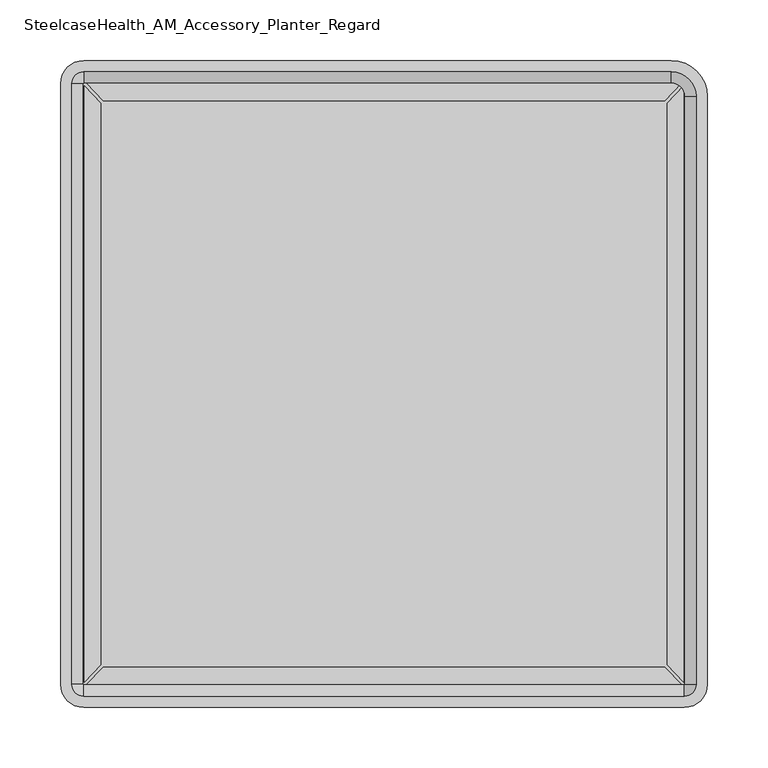
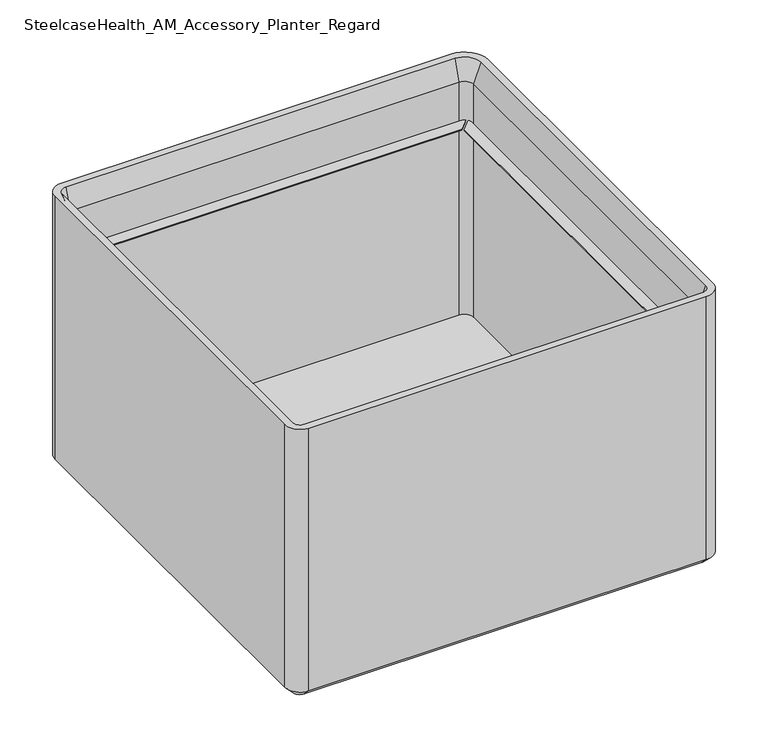
"""IFC4 building model written with IfcOpenShell, lengths in millimetres: furniture geometry, SteelcaseHealth_AM_Accessory_Planter_Regard."""

from ifc_helpers import new_model, si_unit, frame, origin, place, context, project, spatial, polyline, circle_curve, outline, extrude, source, transform, mapped, element, save
from ifc_brep_helpers import plane_surface, cylinder_surface, revolved_surface, advanced_brep


def steelcasehealth_am_accessory_planter_regard_46375c47(model_context):
    return source(origin(), model_context, "Body", "SolidModel", [
        extrude(outline(polyline([(33.0989981, -27.980308), (33.0988992, -491.0079254), (19.3556984, -505.3684772), (19.3556984, -13.6196127), (33.0989981, -27.980308)])), frame((0.0, 0.0, 277.8785812), z_axis=(0.0, 0.0, 1.0), x_axis=(1.0, 0.0, 0.0)), (0.0, 0.0, 1.0), 1.2230843),
        extrude(outline(polyline([(21.0030858, -507.7174254), (35.1556993, -493.1623353), (498.1939138, -493.1625918), (512.3461979, -507.7174254), (21.0030858, -507.7174254)])), frame((0.0, 0.0, 277.8785812), z_axis=(0.0, 0.0, 1.0), x_axis=(1.0, 0.0, 0.0)), (0.0, 0.0, 1.0), 1.2230843),
        extrude(outline(polyline([(513.994014, -505.3688692), (500.2507142, -491.0081872), (500.2508132, -27.9805431), (513.994014, -13.6200046), (513.994014, -505.3688692)])), frame((0.0, 0.0, 277.8785812), z_axis=(0.0, 0.0, 1.0), x_axis=(1.0, 0.0, 0.0)), (0.0, 0.0, 1.0), 1.2230843),
        extrude(outline(polyline([(512.3466272, -11.2710686), (498.1940177, -25.8261404), (35.1558082, -25.8258962), (21.0034903, -11.2710686), (512.3466272, -11.2710686)])), frame((0.0, 0.0, 277.8785812), z_axis=(0.0, 0.0, 1.0), x_axis=(1.0, 0.0, 0.0)), (0.0, 0.0, 1.0), 1.2230843),
        advanced_brep(
        [(35.5809193, -28.3855859, 12.7639011), (42.0420074, -28.3855859, 12.7639011), (29.1198311, -28.3855859, 12.7639011), (42.0420074, -28.3855859, 8.7676238), (29.1198311, -28.3855859, 8.7676238), (49.5595939, -28.3855859, 8.7676238), (21.6022446, -28.3855859, 8.7676238), (49.5595939, -28.3855859, 0.8238512), (21.6022446, -28.3855859, 0.8238512), (48.7357428, -28.3855859, 0.0), (22.4260958, -28.3855859, 0.0), (35.5809193, -28.3855859, 0.0)],
        [
            (0, 1),
            (1, 2, circle_curve(frame((35.5809193, -28.3855859, 12.7639011), z_axis=(0.0, 0.0, 1.0), x_axis=(1.0, 0.0, 0.0)), 6.4610882)),
            (2, 0),
            (2, 1, circle_curve(frame((35.5809193, -28.3855859, 12.7639011), z_axis=(0.0, 0.0, 1.0), x_axis=(1.0, 0.0, 0.0)), 6.4610882)),
            (1, 3),
            (3, 4, circle_curve(frame((35.5809193, -28.3855859, 8.7676238), z_axis=(0.0, 0.0, 1.0), x_axis=(1.0, 0.0, 0.0)), 6.4610882)),
            (4, 2),
            (4, 3, circle_curve(frame((35.5809193, -28.3855859, 8.7676238), z_axis=(0.0, 0.0, 1.0), x_axis=(1.0, 0.0, 0.0)), 6.4610882)),
            (3, 5),
            (5, 6, circle_curve(frame((35.5809193, -28.3855859, 8.7676238), z_axis=(0.0, 0.0, 1.0), x_axis=(1.0, 0.0, 0.0)), 13.9786747)),
            (6, 4),
            (6, 5, circle_curve(frame((35.5809193, -28.3855859, 8.7676238), z_axis=(0.0, 0.0, 1.0), x_axis=(1.0, 0.0, 0.0)), 13.9786747)),
            (5, 7),
            (7, 8, circle_curve(frame((35.5809193, -28.3855859, 0.8238512), z_axis=(0.0, 0.0, 1.0), x_axis=(1.0, 0.0, 0.0)), 13.9786747)),
            (8, 6),
            (8, 7, circle_curve(frame((35.5809193, -28.3855859, 0.8238512), z_axis=(0.0, 0.0, 1.0), x_axis=(1.0, 0.0, 0.0)), 13.9786747)),
            (7, 9),
            (9, 10, circle_curve(frame((35.5809193, -28.3855859, 0.0), z_axis=(0.0, 0.0, 1.0), x_axis=(1.0, 0.0, 0.0)), 13.1548235)),
            (10, 8),
            (10, 9, circle_curve(frame((35.5809193, -28.3855859, 0.0), z_axis=(0.0, 0.0, 1.0), x_axis=(1.0, 0.0, 0.0)), 13.1548235)),
            (9, 11),
            (11, 10),
        ],
        [
            plane_surface(frame((35.5809193, -28.3855859, 12.7639011), z_axis=(0.0, 0.0, 1.0), x_axis=(1.0, 0.0, 0.0))),
            cylinder_surface(frame((35.5809193, -28.3855859, 28.6747292), z_axis=(0.0, 0.0, 1.0), x_axis=(1.0, 0.0, 0.0)), 6.4610882),
            plane_surface(frame((35.5809193, -28.3855859, 8.7676238), z_axis=(0.0, 0.0, 1.0), x_axis=(1.0, 0.0, 0.0))),
            cylinder_surface(frame((35.5809193, -28.3855859, 28.6747292), z_axis=(0.0, 0.0, 1.0), x_axis=(1.0, 0.0, 0.0)), 13.9786747),
            revolved_surface(polyline([(48.7357428, -28.3855859, 0.0), (49.5595939, -28.3855859, 0.8238512)]), (35.5809193, -28.3855859, 28.6747292), (0.0, 0.0, 1.0)),
            plane_surface(frame((35.5809193, -28.3855859, 0.0), z_axis=(0.0, 0.0, -1.0), x_axis=(1.0, 0.0, 0.0))),
        ],
        [
            (0, [[1, 2, 3]]),
            (0, [[-3, 4, -1]]),
            (1, [[-2, 5, 6, 7]]),
            (1, [[-4, -7, 8, -5]]),
            (2, [[-6, 9, 10, 11]]),
            (2, [[-8, -11, 12, -9]]),
            (3, [[-10, 13, 14, 15]]),
            (3, [[-12, -15, 16, -13]]),
            (4, [[-14, 17, 18, 19]]),
            (4, [[-16, -19, 20, -17]]),
            (5, [[-18, 21, 22]]),
            (5, [[-20, -22, -21]]),
        ],
    ),
        advanced_brep(
        [(497.8190807, -28.3855859, 12.7639011), (504.2801689, -28.3855859, 12.7639011), (491.3579926, -28.3855859, 12.7639011), (504.2801689, -28.3855859, 8.7676238), (491.3579926, -28.3855859, 8.7676238), (511.7977554, -28.3855859, 8.7676238), (483.8404061, -28.3855859, 8.7676238), (511.7977554, -28.3855859, 0.8238512), (483.8404061, -28.3855859, 0.8238512), (510.9739042, -28.3855859, 0.0), (484.6642572, -28.3855859, 0.0), (497.8190807, -28.3855859, 0.0)],
        [
            (0, 1),
            (1, 2, circle_curve(frame((497.8190807, -28.3855859, 12.7639011), z_axis=(0.0, 0.0, 1.0), x_axis=(1.0, 0.0, 0.0)), 6.4610882)),
            (2, 0),
            (2, 1, circle_curve(frame((497.8190807, -28.3855859, 12.7639011), z_axis=(0.0, 0.0, 1.0), x_axis=(1.0, 0.0, 0.0)), 6.4610882)),
            (1, 3),
            (3, 4, circle_curve(frame((497.8190807, -28.3855859, 8.7676238), z_axis=(0.0, 0.0, 1.0), x_axis=(1.0, 0.0, 0.0)), 6.4610882)),
            (4, 2),
            (4, 3, circle_curve(frame((497.8190807, -28.3855859, 8.7676238), z_axis=(0.0, 0.0, 1.0), x_axis=(1.0, 0.0, 0.0)), 6.4610882)),
            (3, 5),
            (5, 6, circle_curve(frame((497.8190807, -28.3855859, 8.7676238), z_axis=(0.0, 0.0, 1.0), x_axis=(1.0, 0.0, 0.0)), 13.9786747)),
            (6, 4),
            (6, 5, circle_curve(frame((497.8190807, -28.3855859, 8.7676238), z_axis=(0.0, 0.0, 1.0), x_axis=(1.0, 0.0, 0.0)), 13.9786747)),
            (5, 7),
            (7, 8, circle_curve(frame((497.8190807, -28.3855859, 0.8238512), z_axis=(0.0, 0.0, 1.0), x_axis=(1.0, 0.0, 0.0)), 13.9786747)),
            (8, 6),
            (8, 7, circle_curve(frame((497.8190807, -28.3855859, 0.8238512), z_axis=(0.0, 0.0, 1.0), x_axis=(1.0, 0.0, 0.0)), 13.9786747)),
            (7, 9),
            (9, 10, circle_curve(frame((497.8190807, -28.3855859, 0.0), z_axis=(0.0, 0.0, 1.0), x_axis=(1.0, 0.0, 0.0)), 13.1548235)),
            (10, 8),
            (10, 9, circle_curve(frame((497.8190807, -28.3855859, 0.0), z_axis=(0.0, 0.0, 1.0), x_axis=(1.0, 0.0, 0.0)), 13.1548235)),
            (9, 11),
            (11, 10),
        ],
        [
            plane_surface(frame((497.8190807, -28.3855859, 12.7639011), z_axis=(0.0, 0.0, 1.0), x_axis=(1.0, 0.0, 0.0))),
            cylinder_surface(frame((497.8190807, -28.3855859, 28.6747292), z_axis=(0.0, 0.0, 1.0), x_axis=(1.0, 0.0, 0.0)), 6.4610882),
            plane_surface(frame((497.8190807, -28.3855859, 8.7676238), z_axis=(0.0, 0.0, 1.0), x_axis=(1.0, 0.0, 0.0))),
            cylinder_surface(frame((497.8190807, -28.3855859, 28.6747292), z_axis=(0.0, 0.0, 1.0), x_axis=(1.0, 0.0, 0.0)), 13.9786747),
            revolved_surface(polyline([(510.9739042, -28.3855859, 0.0), (511.7977554, -28.3855859, 0.8238512)]), (497.8190807, -28.3855859, 28.6747292), (0.0, 0.0, 1.0)),
            plane_surface(frame((497.8190807, -28.3855859, 0.0), z_axis=(0.0, 0.0, -1.0), x_axis=(1.0, 0.0, 0.0))),
        ],
        [
            (0, [[1, 2, 3]]),
            (0, [[-3, 4, -1]]),
            (1, [[-2, 5, 6, 7]]),
            (1, [[-4, -7, 8, -5]]),
            (2, [[-6, 9, 10, 11]]),
            (2, [[-8, -11, 12, -9]]),
            (3, [[-10, 13, 14, 15]]),
            (3, [[-12, -15, 16, -13]]),
            (4, [[-14, 17, 18, 19]]),
            (4, [[-16, -19, 20, -17]]),
            (5, [[-18, 21, 22]]),
            (5, [[-20, -22, -21]]),
        ],
    ),
        advanced_brep(
        [(491.3579926, -490.6655859, 12.7639011), (504.2801689, -490.6655859, 12.7639011), (497.8190807, -490.6655859, 12.7639011), (491.3579926, -490.6655859, 8.7676238), (504.2801689, -490.6655859, 8.7676238), (483.8404061, -490.6655859, 8.7676238), (511.7977554, -490.6655859, 8.7676238), (483.8404061, -490.6655859, 0.8238512), (511.7977554, -490.6655859, 0.8238512), (484.6642572, -490.6655859, 0.0), (510.9739042, -490.6655859, 0.0), (497.8190807, -490.6655859, 0.0)],
        [
            (0, 1, circle_curve(frame((497.8190807, -490.6655859, 12.7639011), z_axis=(0.0, 0.0, 1.0), x_axis=(1.0, 0.0, 0.0)), 6.4610882)),
            (1, 2),
            (2, 0),
            (1, 0, circle_curve(frame((497.8190807, -490.6655859, 12.7639011), z_axis=(0.0, 0.0, 1.0), x_axis=(1.0, 0.0, 0.0)), 6.4610882)),
            (3, 4, circle_curve(frame((497.8190807, -490.6655859, 8.7676238), z_axis=(0.0, 0.0, 1.0), x_axis=(1.0, 0.0, 0.0)), 6.4610882)),
            (4, 1),
            (0, 3),
            (4, 3, circle_curve(frame((497.8190807, -490.6655859, 8.7676238), z_axis=(0.0, 0.0, 1.0), x_axis=(1.0, 0.0, 0.0)), 6.4610882)),
            (5, 6, circle_curve(frame((497.8190807, -490.6655859, 8.7676238), z_axis=(0.0, 0.0, 1.0), x_axis=(1.0, 0.0, 0.0)), 13.9786747)),
            (6, 4),
            (3, 5),
            (6, 5, circle_curve(frame((497.8190807, -490.6655859, 8.7676238), z_axis=(0.0, 0.0, 1.0), x_axis=(1.0, 0.0, 0.0)), 13.9786747)),
            (7, 8, circle_curve(frame((497.8190807, -490.6655859, 0.8238512), z_axis=(0.0, 0.0, 1.0), x_axis=(1.0, 0.0, 0.0)), 13.9786747)),
            (8, 6),
            (5, 7),
            (8, 7, circle_curve(frame((497.8190807, -490.6655859, 0.8238512), z_axis=(0.0, 0.0, 1.0), x_axis=(1.0, 0.0, 0.0)), 13.9786747)),
            (9, 10, circle_curve(frame((497.8190807, -490.6655859, 0.0), z_axis=(0.0, 0.0, 1.0), x_axis=(1.0, 0.0, 0.0)), 13.1548235)),
            (10, 8),
            (7, 9),
            (10, 9, circle_curve(frame((497.8190807, -490.6655859, 0.0), z_axis=(0.0, 0.0, 1.0), x_axis=(1.0, 0.0, 0.0)), 13.1548235)),
            (11, 10),
            (9, 11),
        ],
        [
            plane_surface(frame((497.8190807, -490.6655859, 12.7639011), z_axis=(0.0, 0.0, 1.0), x_axis=(1.0, 0.0, 0.0))),
            cylinder_surface(frame((497.8190807, -490.6655859, 28.6747292), z_axis=(0.0, 0.0, -1.0), x_axis=(1.0, 0.0, 0.0)), 6.4610882),
            plane_surface(frame((497.8190807, -490.6655859, 8.7676238), z_axis=(0.0, 0.0, 1.0), x_axis=(1.0, 0.0, 0.0))),
            cylinder_surface(frame((497.8190807, -490.6655859, 28.6747292), z_axis=(0.0, 0.0, -1.0), x_axis=(1.0, 0.0, 0.0)), 13.9786747),
            revolved_surface(polyline([(511.7977554, -490.6655859, 0.8238512), (510.9739042, -490.6655859, 0.0)]), (497.8190807, -490.6655859, 28.6747292), (0.0, 0.0, -1.0)),
            plane_surface(frame((497.8190807, -490.6655859, 0.0), z_axis=(0.0, 0.0, -1.0), x_axis=(1.0, 0.0, 0.0))),
        ],
        [
            (0, [[1, 2, 3]]),
            (0, [[4, -3, -2]]),
            (1, [[5, 6, -1, 7]]),
            (1, [[8, -7, -4, -6]]),
            (2, [[9, 10, -5, 11]]),
            (2, [[12, -11, -8, -10]]),
            (3, [[13, 14, -9, 15]]),
            (3, [[16, -15, -12, -14]]),
            (4, [[17, 18, -13, 19]]),
            (4, [[20, -19, -16, -18]]),
            (5, [[21, -17, 22]]),
            (5, [[-22, -20, -21]]),
        ],
    ),
        extrude(outline(polyline([(514.9545174, -11.2710686), (514.9545174, -507.7801033), (18.4454826, -507.7801033), (18.4454826, -11.2710686), (514.9545174, -11.2710686)])), frame((0.0, 0.0, 17.125602), z_axis=(0.0, 0.0, 1.0), x_axis=(1.0, 0.0, 0.0)), (0.0, 0.0, 1.0), 5.9407032),
        advanced_brep(
        [(533.4, -22.4164435, 9.7488963), (503.8091424, 7.1744141, 9.7488963), (503.8091424, 7.1744141, 355.9466843), (533.4, -22.4164435, 355.9466843), (523.6511037, -22.4164435, 0.0), (503.8091424, -2.5744823, 0.0), (514.9545174, -22.4164435, 330.2), (503.8091424, -11.2710686, 330.2), (503.8091424, -11.2710686, 0.0), (514.9545174, -22.4164435, 0.0), (524.1360227, -22.4164435, 355.9466843), (503.8091424, -2.0895633, 355.9466843), (533.4, -507.1755859, 355.9466843), (533.4, -507.1755859, 9.7488963), (523.6511037, -507.1755859, 0.0), (514.9545174, -507.1755859, 0.0), (514.9545174, -507.1755859, 330.2), (524.1360227, -507.1755859, 355.9466843), (514.35, -526.2255859, 9.7488963), (514.35, -526.2255859, 355.9466843), (514.35, -516.4766896, 0.0), (514.35, -507.7801033, 330.2), (514.35, -507.7801033, 0.0), (514.35, -516.9616086, 355.9466843), (19.05, -526.2255859, 355.9466843), (19.05, -526.2255859, 9.7488963), (19.05, -516.4766896, 0.0), (19.05, -507.7801033, 0.0), (19.05, -507.7801033, 330.2), (19.05, -516.9616086, 355.9466843), (0.0, -507.1755859, 9.7488963), (0.0, -507.1755859, 355.9466843), (9.7488963, -507.1755859, 0.0), (18.4454826, -507.1755859, 330.2), (18.4454826, -507.1755859, 0.0), (9.2639773, -507.1755859, 355.9466843), (0.0, -11.8755859, 355.9466843), (0.0, -11.8755859, 9.7488963), (9.7488963, -11.8755859, 0.0), (18.4454826, -11.8755859, 0.0), (18.4454826, -11.8755859, 330.2), (9.2639773, -11.8755859, 355.9466843), (19.05, 7.1744141, 9.7488963), (19.05, 7.1744141, 355.9466843), (19.05, -2.5744823, 0.0), (19.05, -11.2710686, 330.2), (19.05, -11.2710686, 0.0), (19.05, -2.0895633, 355.9466843)],
        [
            (0, 1, circle_curve(frame((503.8091424, -22.4164435, 9.7488963), z_axis=(0.0, 0.0, 1.0), x_axis=(0.0, 1.0, 0.0)), 29.5908576)),
            (1, 2),
            (2, 3, circle_curve(frame((503.8091424, -22.4164435, 355.9466843), z_axis=(0.0, 0.0, -1.0), x_axis=(0.0, 1.0, 0.0)), 29.5908576)),
            (3, 0),
            (4, 5, circle_curve(frame((503.8091424, -22.4164435, 0.0), z_axis=(0.0, 0.0, 1.0), x_axis=(0.0, 1.0, 0.0)), 19.8419612)),
            (5, 1),
            (0, 4),
            (6, 7, circle_curve(frame((503.8091424, -22.4164435, 330.2), z_axis=(0.0, 0.0, 1.0), x_axis=(0.0, 1.0, 0.0)), 11.1453749)),
            (7, 8),
            (8, 9, circle_curve(frame((503.8091424, -22.4164435, 0.0), z_axis=(0.0, 0.0, -1.0), x_axis=(0.0, 1.0, 0.0)), 11.1453749)),
            (9, 6),
            (10, 11, circle_curve(frame((503.8091424, -22.4164435, 355.9466843), z_axis=(0.0, 0.0, 1.0), x_axis=(0.0, 1.0, 0.0)), 20.3268802)),
            (11, 7),
            (6, 10),
            (3, 12),
            (12, 13),
            (13, 0),
            (13, 14),
            (14, 4),
            (9, 15),
            (15, 16),
            (16, 6),
            (16, 17),
            (17, 10),
            (18, 13, circle_curve(frame((514.35, -507.1755859, 9.7488963), z_axis=(0.0, 0.0, 1.0), x_axis=(1.0, 0.0, 0.0)), 19.05)),
            (12, 19, circle_curve(frame((514.35, -507.1755859, 355.9466843), z_axis=(0.0, 0.0, -1.0), x_axis=(1.0, 0.0, 0.0)), 19.05)),
            (19, 18),
            (20, 14, circle_curve(frame((514.35, -507.1755859, 0.0), z_axis=(0.0, 0.0, 1.0), x_axis=(1.0, 0.0, 0.0)), 9.3011037)),
            (18, 20),
            (21, 16, circle_curve(frame((514.35, -507.1755859, 330.2), z_axis=(0.0, 0.0, 1.0), x_axis=(1.0, 0.0, 0.0)), 0.6045174)),
            (15, 22, circle_curve(frame((514.35, -507.1755859, 0.0), z_axis=(0.0, 0.0, -1.0), x_axis=(1.0, 0.0, 0.0)), 0.6045174)),
            (22, 21),
            (23, 17, circle_curve(frame((514.35, -507.1755859, 355.9466843), z_axis=(0.0, 0.0, 1.0), x_axis=(1.0, 0.0, 0.0)), 9.7860227)),
            (21, 23),
            (19, 24),
            (24, 25),
            (25, 18),
            (25, 26),
            (26, 20),
            (22, 27),
            (27, 28),
            (28, 21),
            (28, 29),
            (29, 23),
            (30, 25, circle_curve(frame((19.05, -507.1755859, 9.7488963), z_axis=(0.0, 0.0, 1.0), x_axis=(0.0, -1.0, 0.0)), 19.05)),
            (24, 31, circle_curve(frame((19.05, -507.1755859, 355.9466843), z_axis=(0.0, 0.0, -1.0), x_axis=(0.0, -1.0, 0.0)), 19.05)),
            (31, 30),
            (32, 26, circle_curve(frame((19.05, -507.1755859, 0.0), z_axis=(0.0, 0.0, 1.0), x_axis=(0.0, -1.0, 0.0)), 9.3011037)),
            (30, 32),
            (33, 28, circle_curve(frame((19.05, -507.1755859, 330.2), z_axis=(0.0, 0.0, 1.0), x_axis=(0.0, -1.0, 0.0)), 0.6045174)),
            (27, 34, circle_curve(frame((19.05, -507.1755859, 0.0), z_axis=(0.0, 0.0, -1.0), x_axis=(0.0, -1.0, 0.0)), 0.6045174)),
            (34, 33),
            (35, 29, circle_curve(frame((19.05, -507.1755859, 355.9466843), z_axis=(0.0, 0.0, 1.0), x_axis=(0.0, -1.0, 0.0)), 9.7860227)),
            (33, 35),
            (31, 36),
            (36, 37),
            (37, 30),
            (37, 38),
            (38, 32),
            (34, 39),
            (39, 40),
            (40, 33),
            (40, 41),
            (41, 35),
            (42, 37, circle_curve(frame((19.05, -11.8755859, 9.7488963), z_axis=(0.0, 0.0, 1.0), x_axis=(-1.0, 0.0, 0.0)), 19.05)),
            (36, 43, circle_curve(frame((19.05, -11.8755859, 355.9466843), z_axis=(0.0, 0.0, -1.0), x_axis=(-1.0, 0.0, 0.0)), 19.05)),
            (43, 42),
            (44, 38, circle_curve(frame((19.05, -11.8755859, 0.0), z_axis=(0.0, 0.0, 1.0), x_axis=(-1.0, 0.0, 0.0)), 9.3011037)),
            (42, 44),
            (45, 40, circle_curve(frame((19.05, -11.8755859, 330.2), z_axis=(0.0, 0.0, 1.0), x_axis=(-1.0, 0.0, 0.0)), 0.6045174)),
            (39, 46, circle_curve(frame((19.05, -11.8755859, 0.0), z_axis=(0.0, 0.0, -1.0), x_axis=(-1.0, 0.0, 0.0)), 0.6045174)),
            (46, 45),
            (47, 41, circle_curve(frame((19.05, -11.8755859, 355.9466843), z_axis=(0.0, 0.0, 1.0), x_axis=(-1.0, 0.0, 0.0)), 9.7860227)),
            (45, 47),
            (2, 43),
            (47, 11),
            (1, 42),
            (5, 44),
            (8, 46),
            (7, 45),
        ],
        [
            cylinder_surface(frame((503.8091424, -22.4164435, 0.0), z_axis=(0.0, 0.0, -1.0), x_axis=(0.0, 1.0, 0.0)), 29.5908576),
            revolved_surface(polyline([(503.8091424, 7.1744141, 9.7488963), (503.8091424, -2.5744823, 0.0)]), (503.8091424, -22.4164435, 0.0), (0.0, 0.0, -1.0)),
            revolved_surface(polyline([(503.8091424, -11.2710686, 0.0), (503.8091424, -11.2710686, 330.2)]), (503.8091424, -22.4164435, 0.0), (0.0, 0.0, -1.0)),
            revolved_surface(polyline([(503.8091424, -11.2710686, 330.2), (503.8091424, -2.0895633, 355.9466843)]), (503.8091424, -22.4164435, 0.0), (0.0, 0.0, -1.0)),
            plane_surface(frame((533.4, -22.4164435, 355.9466843), z_axis=(1.0, 0.0, 0.0), x_axis=(0.0, -1.0, 0.0))),
            plane_surface(frame((533.4, -22.4164435, 9.7488963), z_axis=(0.707106781186551, 0.0, -0.707106781186544), x_axis=(0.0, -1.0, 0.0))),
            plane_surface(frame((514.9545174, -22.4164435, 0.0), z_axis=(-1.0, 0.0, 0.0), x_axis=(0.0, -1.0, 0.0))),
            plane_surface(frame((514.9545174, -22.4164435, 330.2), z_axis=(-0.9419010077448645, 0.0, 0.3358905947019191), x_axis=(0.0, -1.0, 0.0))),
            cylinder_surface(frame((514.35, -507.1755859, 0.0), z_axis=(0.0, 0.0, -1.0), x_axis=(1.0, 0.0, 0.0)), 19.05),
            revolved_surface(polyline([(533.4, -507.1755859, 9.7488963), (523.6511037, -507.1755859, 0.0)]), (514.35, -507.1755859, 0.0), (0.0, 0.0, -1.0)),
            revolved_surface(polyline([(514.9545174, -507.1755859, 0.0), (514.9545174, -507.1755859, 330.2)]), (514.35, -507.1755859, 0.0), (0.0, 0.0, -1.0)),
            revolved_surface(polyline([(514.9545174, -507.1755859, 330.2), (524.1360227, -507.1755859, 355.9466843)]), (514.35, -507.1755859, 0.0), (0.0, 0.0, -1.0)),
            plane_surface(frame((514.35, -526.2255859, 355.9466843), z_axis=(0.0, -1.0, 0.0), x_axis=(-1.0, 0.0, 0.0))),
            plane_surface(frame((514.35, -526.2255859, 9.7488963), z_axis=(0.0, -0.707106781186551, -0.707106781186544), x_axis=(-1.0, 0.0, 0.0))),
            plane_surface(frame((514.35, -507.7801033, 0.0), z_axis=(0.0, 1.0, 0.0), x_axis=(-1.0, 0.0, 0.0))),
            plane_surface(frame((514.35, -507.7801033, 330.2), z_axis=(0.0, 0.9419010077448645, 0.3358905947019191), x_axis=(-1.0, 0.0, 0.0))),
            cylinder_surface(frame((19.05, -507.1755859, 0.0), z_axis=(0.0, 0.0, -1.0), x_axis=(0.0, -1.0, 0.0)), 19.05),
            revolved_surface(polyline([(19.05, -526.2255859, 9.7488963), (19.05, -516.4766896, 0.0)]), (19.05, -507.1755859, 0.0), (0.0, 0.0, -1.0)),
            revolved_surface(polyline([(19.05, -507.7801033, 0.0), (19.05, -507.7801033, 330.2)]), (19.05, -507.1755859, 0.0), (0.0, 0.0, -1.0)),
            revolved_surface(polyline([(19.05, -507.7801033, 330.2), (19.05, -516.9616086, 355.9466843)]), (19.05, -507.1755859, 0.0), (0.0, 0.0, -1.0)),
            plane_surface(frame((0.0, -507.1755859, 355.9466843), z_axis=(-1.0, 0.0, 0.0), x_axis=(0.0, 1.0, 0.0))),
            plane_surface(frame((0.0, -507.1755859, 9.7488963), z_axis=(-0.707106781186551, 0.0, -0.707106781186544), x_axis=(0.0, 1.0, 0.0))),
            plane_surface(frame((18.4454826, -507.1755859, 0.0), z_axis=(1.0, 0.0, 0.0), x_axis=(0.0, 1.0, 0.0))),
            plane_surface(frame((18.4454826, -507.1755859, 330.2), z_axis=(0.9419010077448645, 0.0, 0.3358905947019191), x_axis=(0.0, 1.0, 0.0))),
            cylinder_surface(frame((19.05, -11.8755859, 0.0), z_axis=(0.0, 0.0, -1.0), x_axis=(-1.0, 0.0, 0.0)), 19.05),
            revolved_surface(polyline([(0.0, -11.8755859, 9.7488963), (9.7488963, -11.8755859, 0.0)]), (19.05, -11.8755859, 0.0), (0.0, 0.0, -1.0)),
            revolved_surface(polyline([(18.445482600000002, -11.8755859, 0.0), (18.445482600000002, -11.8755859, 330.2)]), (19.05, -11.8755859, 0.0), (0.0, 0.0, -1.0)),
            revolved_surface(polyline([(18.4454826, -11.8755859, 330.2), (9.2639773, -11.8755859, 355.9466843)]), (19.05, -11.8755859, 0.0), (0.0, 0.0, -1.0)),
            plane_surface(frame((19.05, -2.0895633, 355.9466843), z_axis=(0.0, 0.0, 1.0), x_axis=(1.0, 0.0, 0.0))),
            plane_surface(frame((19.05, 7.1744141, 355.9466843), z_axis=(0.0, 1.0, 0.0), x_axis=(1.0, 0.0, 0.0))),
            plane_surface(frame((19.05, 7.1744141, 9.7488963), z_axis=(0.0, 0.707106781186551, -0.707106781186544), x_axis=(1.0, 0.0, 0.0))),
            plane_surface(frame((19.05, -2.5744823, 0.0), z_axis=(0.0, 0.0, -1.0), x_axis=(1.0, 0.0, 0.0))),
            plane_surface(frame((19.05, -11.2710686, 0.0), z_axis=(0.0, -1.0, 0.0), x_axis=(1.0, 0.0, 0.0))),
            plane_surface(frame((19.05, -11.2710686, 330.2), z_axis=(0.0, -0.9419010077448645, 0.3358905947019191), x_axis=(1.0, 0.0, 0.0))),
        ],
        [
            (0, [[1, 2, 3, 4]]),
            (1, [[5, 6, -1, 7]]),
            (2, [[8, 9, 10, 11]]),
            (3, [[12, 13, -8, 14]]),
            (4, [[-4, 15, 16, 17]]),
            (5, [[-7, -17, 18, 19]]),
            (6, [[-11, 20, 21, 22]]),
            (7, [[-14, -22, 23, 24]]),
            (8, [[25, -16, 26, 27]]),
            (9, [[28, -18, -25, 29]]),
            (10, [[30, -21, 31, 32]]),
            (11, [[33, -23, -30, 34]]),
            (12, [[-27, 35, 36, 37]]),
            (13, [[-29, -37, 38, 39]]),
            (14, [[-32, 40, 41, 42]]),
            (15, [[-34, -42, 43, 44]]),
            (16, [[45, -36, 46, 47]]),
            (17, [[48, -38, -45, 49]]),
            (18, [[50, -41, 51, 52]]),
            (19, [[53, -43, -50, 54]]),
            (20, [[-47, 55, 56, 57]]),
            (21, [[-49, -57, 58, 59]]),
            (22, [[-52, 60, 61, 62]]),
            (23, [[-54, -62, 63, 64]]),
            (24, [[65, -56, 66, 67]]),
            (25, [[68, -58, -65, 69]]),
            (26, [[70, -61, 71, 72]]),
            (27, [[73, -63, -70, 74]]),
            (28, [[75, -66, -55, -46, -35, -26, -15, -3], [-64, -73, 76, -12, -24, -33, -44, -53]]),
            (29, [[-67, -75, -2, 77]]),
            (30, [[-69, -77, -6, 78]]),
            (31, [[-59, -68, -78, -5, -19, -28, -39, -48], [79, -71, -60, -51, -40, -31, -20, -10]]),
            (32, [[-72, -79, -9, 80]]),
            (33, [[-74, -80, -13, -76]]),
        ],
    ),
    ])


if __name__ == "__main__":
    model = new_model("IFC4")
    model_context = context("Model", 3, world=origin())
    ifc_project = project(units=[si_unit("LENGTHUNIT", "METRE", prefix="MILLI")], contexts=[model_context])
    site = spatial("IfcSite", under=ifc_project)
    building = spatial("IfcBuilding", under=site)
    placement = place(None, origin())
    steelcasehealth_am_accessory_planter_regard_shape = steelcasehealth_am_accessory_planter_regard_46375c47(model_context)
    element("IfcFurniture", 1, ObjectType="SteelcaseHealth_AM_Accessory_Planter_Regard", at=placement, inside=building, context=model_context, shape_type="MappedRepresentation", body=[
        mapped(steelcasehealth_am_accessory_planter_regard_shape, transform((0.0, 0.0, 0.0), x_axis=(1.0, 0.0, 0.0), y_axis=(0.0, 1.0, 0.0), z_axis=(0.0, 0.0, 1.0))),
    ])
    save(model, "model.ifc")
